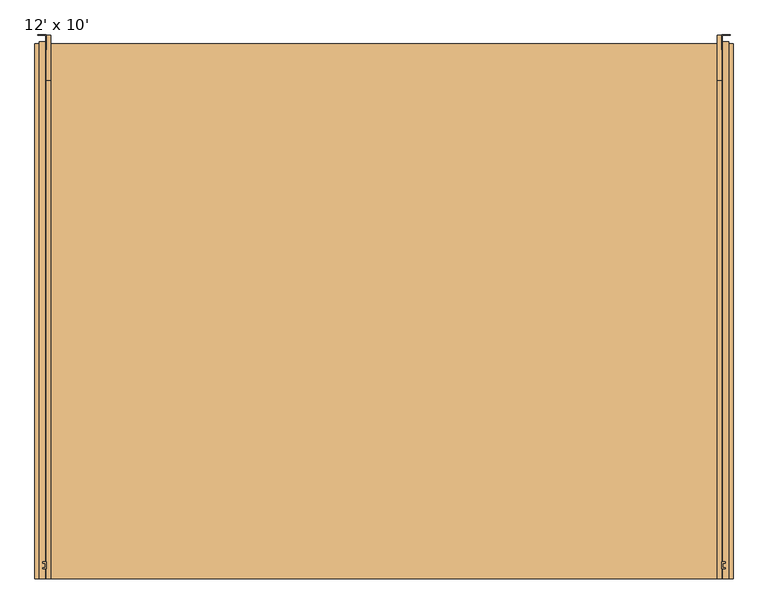
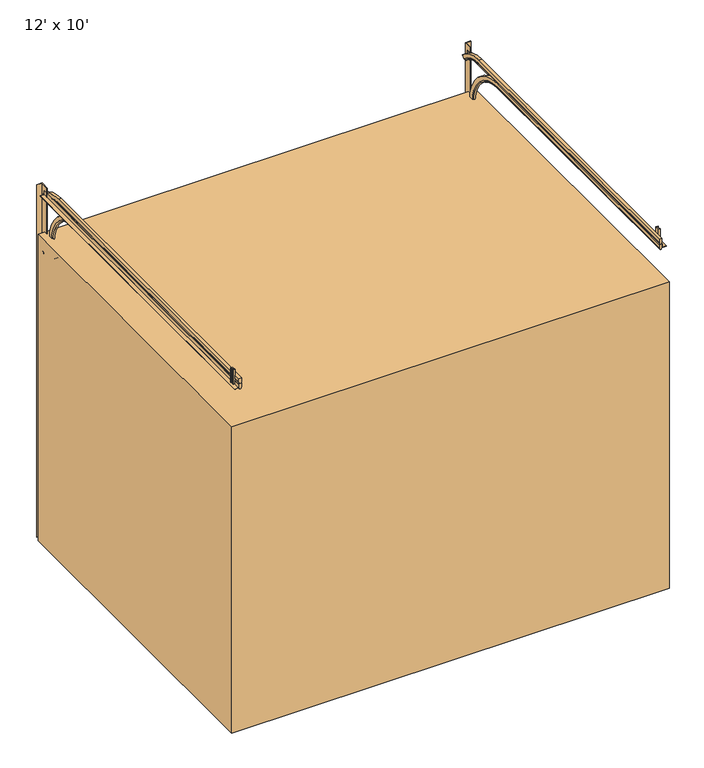
"""IFC4 building model written with IfcOpenShell, lengths in millimetres: door geometry, 12' x 10'."""

from ifc_helpers import new_model, si_unit, point, frame, origin, origin_with_axes, place, context, project, spatial, polyline, circle_curve, ellipse_curve, trimmed, outline, extrude, source, transform, mapped, element, save
from ifc_brep_helpers import plane_surface, cylinder_surface, revolved_surface, advanced_brep


def door_12_x_10_98741699(model_context):
    return source(origin(), model_context, "Body", "SolidModel", [
        advanced_brep(
        [(1879.6, -3082.4778808, 3327.4), (1854.2, -3082.4778808, 3327.4), (1854.2, -3082.4778808, 3292.4709253), (1858.9747147, -3082.4778808, 3281.7467404), (1874.8252853, -3082.4778808, 3281.7467404), (1879.6, -3082.4778808, 3292.4709253), (1879.6, -290.774921, 3292.4709253), (1879.6, -61.5450805, 3199.7634159), (1879.6, -37.2638556, 3224.8724258), (1879.6, -290.774921, 3327.4), (1874.8252853, -290.774921, 3281.7467404), (1858.9747147, -290.774921, 3281.7467404), (1854.2, -290.774921, 3292.4709253), (1854.2, -290.774921, 3327.4), (1854.2, -37.2638556, 3224.8724258), (1854.2, -61.5450805, 3199.7634159), (1874.8252853, -69.0000831, 3192.0542605), (1858.9747147, -69.0000831, 3192.0542605)],
        [
            (0, 1),
            (1, 2),
            (2, 3),
            (3, 4, circle_curve(frame((1866.9, -3082.4778808, 3285.2753048), z_axis=(0.0, -1.0, 0.0), x_axis=(-1.0, 0.0, 0.0)), 8.6753048)),
            (4, 5),
            (5, 0),
            (5, 6),
            (6, 7, circle_curve(frame((1879.6, -290.774921, 2962.7187699), z_axis=(-1.0, 0.0, 0.0), x_axis=(0.0, 0.0, 1.0)), 329.7521553)),
            (7, 8),
            (8, 9, circle_curve(frame((1879.6, -290.774921, 2962.7187699), z_axis=(1.0, 0.0, 0.0), x_axis=(0.0, 0.0, 1.0)), 364.6812301)),
            (9, 0),
            (4, 10),
            (10, 6),
            (3, 11),
            (11, 10, circle_curve(frame((1866.9, -290.774921, 3285.2753048), z_axis=(0.0, -1.0, 0.0), x_axis=(-1.0, 0.0, 0.0)), 8.6753048)),
            (2, 12),
            (12, 11),
            (1, 13),
            (13, 14, circle_curve(frame((1854.2, -290.774921, 2962.7187699), z_axis=(-1.0, 0.0, 0.0), x_axis=(0.0, 0.0, 1.0)), 364.6812301)),
            (14, 15),
            (15, 12, circle_curve(frame((1854.2, -290.774921, 2962.7187699), z_axis=(1.0, 0.0, 0.0), x_axis=(0.0, 0.0, 1.0)), 329.7521553)),
            (9, 13),
            (7, 16),
            (16, 17, circle_curve(frame((1866.9, -66.5471734, 3194.5907937), z_axis=(0.0, 0.7188570024418812, -0.6951579748807268), x_axis=(-1.0, 0.0, 0.0)), 8.6753048)),
            (17, 15),
            (14, 8),
            (10, 16, circle_curve(frame((1874.8252853, -290.774921, 2962.7187699), z_axis=(-1.0, 0.0, 0.0), x_axis=(0.0, 0.0, 1.0)), 319.0279705)),
            (11, 17, circle_curve(frame((1858.9747147, -290.774921, 2962.7187699), z_axis=(-1.0, 0.0, 0.0), x_axis=(0.0, 0.0, 1.0)), 319.0279705)),
        ],
        [
            plane_surface(frame((1879.6, -3082.4778808, 3276.6), z_axis=(0.0, -1.0, 0.0), x_axis=(-1.0, 0.0, 0.0))),
            plane_surface(frame((1879.6, -3082.4778808, 3327.4), z_axis=(1.0, 0.0, 0.0), x_axis=(0.0, 1.0, 0.0))),
            plane_surface(frame((1879.6, -3082.4778808, 3292.4709253), z_axis=(0.9135454576425592, 0.0, -0.4067366430758938), x_axis=(0.0, 1.0, 0.0))),
            cylinder_surface(frame((1866.9, -3082.4778808, 3285.2753048), z_axis=(0.0, -1.0, 0.0), x_axis=(-1.0, 0.0, 0.0)), 8.6753048),
            plane_surface(frame((1858.9747147, -3082.4778808, 3281.7467404), z_axis=(-0.9135454576425963, 0.0, -0.4067366430758104), x_axis=(0.0, 1.0, 0.0))),
            plane_surface(frame((1854.2, -3082.4778808, 3300.4125), z_axis=(-1.0, 0.0, 0.0), x_axis=(0.0, 1.0, 0.0))),
            plane_surface(frame((1854.2, -3082.4778808, 3327.4), z_axis=(0.0, 0.0, 1.0), x_axis=(0.0, 1.0, 0.0))),
            plane_surface(frame((1879.6, -72.5778808, 3188.3544901), z_axis=(0.0, 0.7188570024418812, -0.6951579748807268), x_axis=(-1.0, 0.0, 0.0))),
            revolved_surface(polyline([(1879.6, -290.774921, 3292.4709253), (1874.8252853, -290.774921, 3281.7467404)]), (1879.6, -290.774921, 2962.7187699), (1.0, 0.0, 0.0)),
            revolved_surface(trimmed(ellipse_curve(frame((1866.9, -290.774921, 3285.2753048), z_axis=(0.0, 1.0, 0.0), x_axis=(-1.0, 0.0, 0.0)), 8.6753048, 8.6753048), [point((1874.8252853, -290.774921, 3281.7467404))], [point((1858.9747147, -290.774921, 3281.7467404))], True, "CARTESIAN"), (1879.6, -290.774921, 2962.7187699), (1.0, 0.0, 0.0)),
            revolved_surface(polyline([(1858.9747147, -290.774921, 3281.7467404), (1854.2, -290.774921, 3292.4709253)]), (1879.6, -290.774921, 2962.7187699), (1.0, 0.0, 0.0)),
            cylinder_surface(frame((1879.6, -290.774921, 2962.7187699), z_axis=(1.0, 0.0, 0.0), x_axis=(0.0, 0.0, 1.0)), 364.6812301),
        ],
        [
            (0, [[1, 2, 3, 4, 5, 6]]),
            (1, [[7, 8, 9, 10, 11, -6]]),
            (2, [[12, 13, -7, -5]]),
            (3, [[14, 15, -12, -4]]),
            (4, [[16, 17, -14, -3]]),
            (5, [[-2, 18, 19, 20, 21, -16]]),
            (6, [[-11, 22, -18, -1]]),
            (7, [[-9, 23, 24, 25, -20, 26]]),
            (8, [[-23, -8, -13, 27]]),
            (9, [[-24, -27, -15, 28]]),
            (10, [[-25, -28, -17, -21]]),
            (11, [[-26, -19, -22, -10]]),
        ],
    ),
        advanced_brep(
        [(1879.6, -3082.4778808, 3276.6), (1854.2, -3082.4778808, 3276.6), (1854.2, -3082.4778808, 3241.6709253), (1858.9747147, -3082.4778808, 3230.9467404), (1874.8252853, -3082.4778808, 3230.9467404), (1879.6, -3082.4778808, 3241.6709253), (1879.6, -576.4272207, 3276.6), (1854.2, -576.4272207, 3276.6), (1854.2, -144.7208969, 2853.7938817), (1854.2, -85.2893526, 1.079758), (1854.2, -120.2108497, 0.3522268), (1854.2, -179.6423939, 2853.0663506), (1854.2, -576.4272207, 3241.6709253), (1858.9747147, -576.4272207, 3230.9467404), (1874.8252853, -576.4272207, 3230.9467404), (1879.6, -576.4272207, 3241.6709253), (1879.6, -179.6423939, 2853.0663506), (1879.6, -120.2108497, 0.3522268), (1879.6, -85.2893526, 1.079758), (1879.6, -144.7208969, 2853.7938817), (1874.8252853, -130.932708, 0.1288547), (1858.9747147, -130.932708, 0.1288547), (1858.9747147, -190.3642522, 2852.8429785), (1874.8252853, -190.3642522, 2852.8429785)],
        [
            (0, 1),
            (1, 2),
            (2, 3),
            (3, 4, circle_curve(frame((1866.9, -3082.4778808, 3234.4753048), z_axis=(0.0, -1.0, 0.0), x_axis=(-1.0, 0.0, 0.0)), 8.6753048)),
            (4, 5),
            (5, 0),
            (0, 6),
            (6, 7),
            (7, 1),
            (7, 8, circle_curve(frame((1854.2, -576.4272207, 2844.8), z_axis=(-1.0, 0.0, 0.0), x_axis=(0.0, 0.9997830567281112, 0.02082881368187952)), 431.8)),
            (8, 9),
            (9, 10),
            (10, 11),
            (11, 12, circle_curve(frame((1854.2, -576.4272207, 2844.8), z_axis=(1.0, 0.0, 0.0), x_axis=(0.0, 0.9997830567281112, 0.02082881368187952)), 396.8709253)),
            (12, 2),
            (12, 13),
            (13, 3),
            (13, 14, circle_curve(frame((1866.9, -576.4272207, 3234.4753048), z_axis=(0.0, -1.0, 0.0), x_axis=(-1.0, 0.0, 0.0)), 8.6753048)),
            (14, 4),
            (14, 15),
            (15, 5),
            (15, 16, circle_curve(frame((1879.6, -576.4272207, 2844.8), z_axis=(-1.0, 0.0, 0.0), x_axis=(0.0, 0.9997830567281112, 0.02082881368187952)), 396.8709253)),
            (16, 17),
            (17, 18),
            (18, 19),
            (19, 6, circle_curve(frame((1879.6, -576.4272207, 2844.8), z_axis=(1.0, 0.0, 0.0), x_axis=(0.0, 0.9997830567281112, 0.02082881368187952)), 431.8)),
            (17, 20),
            (20, 21, circle_curve(frame((1866.9, -127.4049091, 0.2023506), z_axis=(0.0, 0.020828813681835652, -0.9997830567281122), x_axis=(-1.0, 0.0, 0.0)), 8.6753048)),
            (21, 10),
            (9, 18),
            (8, 19),
            (21, 22),
            (22, 11),
            (20, 23),
            (23, 22, circle_curve(frame((1866.9, -186.8364534, 2852.9164743), z_axis=(0.0, 0.020828813681835652, -0.9997830567281122), x_axis=(-1.0, 0.0, 0.0)), 8.6753048)),
            (16, 23),
            (22, 13, circle_curve(frame((1858.9747147, -576.4272207, 2844.8), z_axis=(1.0, 0.0, 0.0), x_axis=(0.0, 0.9997830567281112, 0.02082881368187952)), 386.1467404)),
            (23, 14, circle_curve(frame((1874.8252853, -576.4272207, 2844.8), z_axis=(1.0, 0.0, 0.0), x_axis=(0.0, 0.9997830567281112, 0.02082881368187952)), 386.1467404)),
        ],
        [
            plane_surface(frame((1879.6, -3082.4778808, 3225.8), z_axis=(0.0, -1.0, 0.0), x_axis=(-1.0, 0.0, 0.0))),
            plane_surface(frame((1879.6, -576.4272207, 3276.6), z_axis=(0.0, 0.0, 1.0), x_axis=(0.0, -1.0, 0.0))),
            plane_surface(frame((1854.2, -576.4272207, 3249.6125), z_axis=(-1.0, 0.0, 0.0), x_axis=(0.0, -1.0, 0.0))),
            plane_surface(frame((1854.2, -576.4272207, 3241.6709253), z_axis=(-0.9135454576425963, 0.0, -0.4067366430758104), x_axis=(0.0, -1.0, 0.0))),
            cylinder_surface(frame((1866.9, -576.4272207, 3234.4753048), z_axis=(0.0, 1.0, 0.0), x_axis=(-1.0, 0.0, 0.0)), 8.6753048),
            plane_surface(frame((1874.8252853, -576.4272207, 3230.9467404), z_axis=(0.9135454576425592, 0.0, -0.4067366430758938), x_axis=(0.0, -1.0, 0.0))),
            plane_surface(frame((1879.6, -576.4272207, 3241.6709253), z_axis=(1.0, 0.0, 0.0), x_axis=(0.0, -1.0, 0.0))),
            plane_surface(frame((1879.6, -136.0783319, 0.0216543), z_axis=(0.0, 0.02082881368183565, -0.9997830567281122), x_axis=(-1.0, 0.0, 0.0))),
            plane_surface(frame((1879.6, -85.2893526, 1.079758), z_axis=(0.0, 0.9997830567281122, 0.020828813681835655), x_axis=(0.0, -0.020828813681835655, 0.9997830567281122))),
            plane_surface(frame((1854.2, -120.2108497, 0.3522268), z_axis=(-0.9135454576425959, -0.4066484042976663, -0.008471841756201345), x_axis=(0.0, -0.02082881368183566, 0.9997830567281122))),
            cylinder_surface(frame((1866.9, -127.4049091, 0.2023506), z_axis=(0.0, 0.020828813681835652, -0.9997830567281122), x_axis=(-1.0, 0.0, 0.0)), 8.6753048),
            plane_surface(frame((1874.8252853, -130.932708, 0.1288547), z_axis=(0.9135454576425601, -0.4066484042977467, -0.008471841756203082), x_axis=(0.0, -0.020828813681835655, 0.9997830567281122))),
            cylinder_surface(frame((1879.6, -576.4272207, 2844.8), z_axis=(-1.0, 0.0, 0.0), x_axis=(0.0, 0.9997830567281112, 0.02082881368187952)), 431.8),
            revolved_surface(polyline([(1854.2, -179.6423939, 2853.0663506), (1858.9747147, -190.3642522, 2852.8429785)]), (1879.6, -576.4272207, 2844.8), (-1.0, 0.0, 0.0)),
            revolved_surface(trimmed(ellipse_curve(frame((1866.9, -186.8364534, 2852.9164743), z_axis=(0.0, -0.020828813681879516, 0.9997830567281112), x_axis=(-1.0, 0.0, 0.0)), 8.6753048, 8.6753048), [point((1858.9747147, -190.3642522, 2852.8429785))], [point((1874.8252853, -190.3642522, 2852.8429785))], True, "CARTESIAN"), (1879.6, -576.4272207, 2844.8), (-1.0, 0.0, 0.0)),
            revolved_surface(polyline([(1874.8252853, -190.3642522, 2852.8429785), (1879.6, -179.6423939, 2853.0663506)]), (1879.6, -576.4272207, 2844.8), (-1.0, 0.0, 0.0)),
        ],
        [
            (0, [[1, 2, 3, 4, 5, 6]]),
            (1, [[7, 8, 9, -1]]),
            (2, [[-9, 10, 11, 12, 13, 14, 15, -2]]),
            (3, [[-15, 16, 17, -3]]),
            (4, [[-17, 18, 19, -4]]),
            (5, [[-19, 20, 21, -5]]),
            (6, [[-21, 22, 23, 24, 25, 26, -7, -6]]),
            (7, [[-24, 27, 28, 29, -12, 30]]),
            (8, [[-11, 31, -25, -30]]),
            (9, [[32, 33, -13, -29]]),
            (10, [[34, 35, -32, -28]]),
            (11, [[-23, 36, -34, -27]]),
            (12, [[-10, -8, -26, -31]]),
            (13, [[-33, 37, -16, -14]]),
            (14, [[38, -18, -37, -35]]),
            (15, [[-22, -20, -38, -36]]),
        ],
    ),
        extrude(outline(polyline([(3276.6, 1879.6), (3238.5, 1879.6), (3238.5, 1917.7), (3241.675, 1917.7), (3241.675, 1882.775), (3276.6, 1882.775), (3276.6, 1879.6)])), frame((0.0, -3082.4778808, 0.0), z_axis=(0.0, 1.0, 0.0), x_axis=(0.0, 0.0, 1.0)), (0.0, 0.0, 1.0), 3009.9),
        extrude(outline(polyline([(1879.6, -117.0278808), (1879.6, -34.4778808), (1927.225, -34.4778808), (1927.225, -37.6528808), (1882.775, -37.6528808), (1882.775, -117.0278808), (1879.6, -117.0278808)])), origin_with_axes(), (0.0, 0.0, 1.0), 3327.4),
        extrude(outline(polyline([(1885.95, -2993.5778808), (1885.95, -3018.9778808), (1898.65, -3018.9778808), (1898.65, -3025.3278808), (1879.6, -3025.3278808), (1879.6, -2987.2278808), (1898.65, -2987.2278808), (1898.65, -2993.5778808), (1885.95, -2993.5778808)])), frame((0.0, 0.0, 3225.8), z_axis=(0.0, 0.0, 1.0), x_axis=(1.0, 0.0, 0.0)), (0.0, 0.0, 1.0), 152.4),
        advanced_brep(
        [(-1905.0, -3082.4778808, 3327.4), (-1905.0, -3082.4778808, 3292.4709253), (-1900.2252853, -3082.4778808, 3281.7467404), (-1884.3747147, -3082.4778808, 3281.7467404), (-1879.6, -3082.4778808, 3292.4709253), (-1879.6, -3082.4778808, 3327.4), (-1905.0, -290.774921, 3327.4), (-1905.0, -37.2638556, 3224.8724258), (-1905.0, -61.5450805, 3199.7634159), (-1905.0, -290.774921, 3292.4709253), (-1900.2252853, -290.774921, 3281.7467404), (-1884.3747147, -290.774921, 3281.7467404), (-1879.6, -290.774921, 3292.4709253), (-1879.6, -61.5450805, 3199.7634159), (-1879.6, -37.2638556, 3224.8724258), (-1879.6, -290.774921, 3327.4), (-1884.3747147, -69.0000831, 3192.0542605), (-1900.2252853, -69.0000831, 3192.0542605)],
        [
            (0, 1),
            (1, 2),
            (2, 3, circle_curve(frame((-1892.3, -3082.4778808, 3285.2753048), z_axis=(0.0, -1.0, 0.0), x_axis=(1.0, 0.0, 0.0)), 8.6753048)),
            (3, 4),
            (4, 5),
            (5, 0),
            (0, 6),
            (6, 7, circle_curve(frame((-1905.0, -290.774921, 2962.7187699), z_axis=(-1.0, 0.0, 0.0), x_axis=(0.0, 0.0, 1.0)), 364.6812301)),
            (7, 8),
            (8, 9, circle_curve(frame((-1905.0, -290.774921, 2962.7187699), z_axis=(1.0, 0.0, 0.0), x_axis=(0.0, 0.0, 1.0)), 329.7521553)),
            (9, 1),
            (9, 10),
            (10, 2),
            (10, 11, circle_curve(frame((-1892.3, -290.774921, 3285.2753048), z_axis=(0.0, -1.0, 0.0), x_axis=(1.0, 0.0, 0.0)), 8.6753048)),
            (11, 3),
            (11, 12),
            (12, 4),
            (12, 13, circle_curve(frame((-1879.6, -290.774921, 2962.7187699), z_axis=(-1.0, 0.0, 0.0), x_axis=(0.0, 0.0, 1.0)), 329.7521553)),
            (13, 14),
            (14, 15, circle_curve(frame((-1879.6, -290.774921, 2962.7187699), z_axis=(1.0, 0.0, 0.0), x_axis=(0.0, 0.0, 1.0)), 364.6812301)),
            (15, 5),
            (15, 6),
            (7, 14),
            (13, 16),
            (16, 17, circle_curve(frame((-1892.3, -66.5471734, 3194.5907937), z_axis=(0.0, 0.7188570024418812, -0.6951579748807268), x_axis=(1.0, 0.0, 0.0)), 8.6753048)),
            (17, 8),
            (17, 10, circle_curve(frame((-1900.2252853, -290.774921, 2962.7187699), z_axis=(1.0, 0.0, 0.0), x_axis=(0.0, 0.0, 1.0)), 319.0279705)),
            (16, 11, circle_curve(frame((-1884.3747147, -290.774921, 2962.7187699), z_axis=(1.0, 0.0, 0.0), x_axis=(0.0, 0.0, 1.0)), 319.0279705)),
        ],
        [
            plane_surface(frame((-1905.0, -3082.4778808, 3276.6), z_axis=(0.0, -1.0, 0.0), x_axis=(1.0, 0.0, 0.0))),
            plane_surface(frame((-1905.0, -3082.4778808, 3327.4), z_axis=(-1.0, 0.0, 0.0), x_axis=(0.0, 1.0, 0.0))),
            plane_surface(frame((-1905.0, -3082.4778808, 3292.4709253), z_axis=(-0.9135454576425592, 0.0, -0.4067366430758938), x_axis=(0.0, 1.0, 0.0))),
            cylinder_surface(frame((-1892.3, -3082.4778808, 3285.2753048), z_axis=(0.0, -1.0, 0.0), x_axis=(1.0, 0.0, 0.0)), 8.6753048),
            plane_surface(frame((-1884.3747147, -3082.4778808, 3281.7467404), z_axis=(0.9135454576425963, 0.0, -0.4067366430758104), x_axis=(0.0, 1.0, 0.0))),
            plane_surface(frame((-1879.6, -3082.4778808, 3300.4125), z_axis=(1.0, 0.0, 0.0), x_axis=(0.0, 1.0, 0.0))),
            plane_surface(frame((-1879.6, -3082.4778808, 3327.4), z_axis=(0.0, 0.0, 1.0), x_axis=(0.0, 1.0, 0.0))),
            plane_surface(frame((-1905.0, -72.5778808, 3188.3544901), z_axis=(0.0, 0.7188570024418812, -0.6951579748807268), x_axis=(1.0, 0.0, 0.0))),
            revolved_surface(polyline([(-1905.0, -290.774921, 3292.4709253), (-1900.2252853, -290.774921, 3281.7467404)]), (-1905.0, -290.774921, 2962.7187699), (-1.0, 0.0, 0.0)),
            revolved_surface(trimmed(ellipse_curve(frame((-1892.3, -290.774921, 3285.2753048), z_axis=(0.0, -1.0, 0.0), x_axis=(1.0, 0.0, 0.0)), 8.6753048, 8.6753048), [point((-1900.2252853, -290.774921, 3281.7467404))], [point((-1884.3747147, -290.774921, 3281.7467404))], True, "CARTESIAN"), (-1905.0, -290.774921, 2962.7187699), (-1.0, 0.0, 0.0)),
            revolved_surface(polyline([(-1884.3747147, -290.774921, 3281.7467404), (-1879.6, -290.774921, 3292.4709253)]), (-1905.0, -290.774921, 2962.7187699), (-1.0, 0.0, 0.0)),
            cylinder_surface(frame((-1905.0, -290.774921, 2962.7187699), z_axis=(-1.0, 0.0, 0.0), x_axis=(0.0, 0.0, 1.0)), 364.6812301),
        ],
        [
            (0, [[1, 2, 3, 4, 5, 6]]),
            (1, [[-1, 7, 8, 9, 10, 11]]),
            (2, [[-2, -11, 12, 13]]),
            (3, [[-3, -13, 14, 15]]),
            (4, [[-4, -15, 16, 17]]),
            (5, [[-17, 18, 19, 20, 21, -5]]),
            (6, [[-6, -21, 22, -7]]),
            (7, [[23, -19, 24, 25, 26, -9]]),
            (8, [[27, -12, -10, -26]]),
            (9, [[28, -14, -27, -25]]),
            (10, [[-18, -16, -28, -24]]),
            (11, [[-8, -22, -20, -23]]),
        ],
    ),
        advanced_brep(
        [(-1905.0, -3082.4778808, 3276.6), (-1905.0, -3082.4778808, 3241.6709253), (-1900.2252853, -3082.4778808, 3230.9467404), (-1884.3747147, -3082.4778808, 3230.9467404), (-1879.6, -3082.4778808, 3241.6709253), (-1879.6, -3082.4778808, 3276.6), (-1879.6, -576.4272207, 3276.6), (-1905.0, -576.4272207, 3276.6), (-1879.6, -576.4272207, 3241.6709253), (-1879.6, -179.6423939, 2853.0663506), (-1879.6, -120.2108497, 0.3522268), (-1879.6, -85.2893526, 1.079758), (-1879.6, -144.7208969, 2853.7938817), (-1884.3747147, -576.4272207, 3230.9467404), (-1900.2252853, -576.4272207, 3230.9467404), (-1905.0, -576.4272207, 3241.6709253), (-1905.0, -144.7208969, 2853.7938817), (-1905.0, -85.2893526, 1.079758), (-1905.0, -120.2108497, 0.3522268), (-1905.0, -179.6423939, 2853.0663506), (-1884.3747147, -130.932708, 0.1288547), (-1900.2252853, -130.932708, 0.1288547), (-1884.3747147, -190.3642522, 2852.8429785), (-1900.2252853, -190.3642522, 2852.8429785)],
        [
            (0, 1),
            (1, 2),
            (2, 3, circle_curve(frame((-1892.3, -3082.4778808, 3234.4753048), z_axis=(0.0, -1.0, 0.0), x_axis=(1.0, 0.0, 0.0)), 8.6753048)),
            (3, 4),
            (4, 5),
            (5, 0),
            (5, 6),
            (6, 7),
            (7, 0),
            (4, 8),
            (8, 9, circle_curve(frame((-1879.6, -576.4272207, 2844.8), z_axis=(-1.0, 0.0, 0.0), x_axis=(0.0, 0.9997830567281112, 0.02082881368187952)), 396.8709253)),
            (9, 10),
            (10, 11),
            (11, 12),
            (12, 6, circle_curve(frame((-1879.6, -576.4272207, 2844.8), z_axis=(1.0, 0.0, 0.0), x_axis=(0.0, 0.9997830567281112, 0.02082881368187952)), 431.8)),
            (3, 13),
            (13, 8),
            (2, 14),
            (14, 13, circle_curve(frame((-1892.3, -576.4272207, 3234.4753048), z_axis=(0.0, -1.0, 0.0), x_axis=(1.0, 0.0, 0.0)), 8.6753048)),
            (1, 15),
            (15, 14),
            (7, 16, circle_curve(frame((-1905.0, -576.4272207, 2844.8), z_axis=(-1.0, 0.0, 0.0), x_axis=(0.0, 0.9997830567281112, 0.02082881368187952)), 431.8)),
            (16, 17),
            (17, 18),
            (18, 19),
            (19, 15, circle_curve(frame((-1905.0, -576.4272207, 2844.8), z_axis=(1.0, 0.0, 0.0), x_axis=(0.0, 0.9997830567281112, 0.02082881368187952)), 396.8709253)),
            (17, 11),
            (10, 20),
            (20, 21, circle_curve(frame((-1892.3, -127.4049091, 0.2023506), z_axis=(0.0, 0.020828813681835652, -0.9997830567281122), x_axis=(1.0, 0.0, 0.0)), 8.6753048)),
            (21, 18),
            (16, 12),
            (9, 22),
            (22, 20),
            (22, 23, circle_curve(frame((-1892.3, -186.8364534, 2852.9164743), z_axis=(0.0, 0.020828813681835652, -0.9997830567281122), x_axis=(1.0, 0.0, 0.0)), 8.6753048)),
            (23, 21),
            (23, 19),
            (13, 22, circle_curve(frame((-1884.3747147, -576.4272207, 2844.8), z_axis=(-1.0, 0.0, 0.0), x_axis=(0.0, 0.9997830567281112, 0.02082881368187952)), 386.1467404)),
            (14, 23, circle_curve(frame((-1900.2252853, -576.4272207, 2844.8), z_axis=(-1.0, 0.0, 0.0), x_axis=(0.0, 0.9997830567281112, 0.02082881368187952)), 386.1467404)),
        ],
        [
            plane_surface(frame((-1905.0, -3082.4778808, 3225.8), z_axis=(0.0, -1.0, 0.0), x_axis=(1.0, 0.0, 0.0))),
            plane_surface(frame((-1905.0, -576.4272207, 3276.6), z_axis=(0.0, 0.0, 1.0), x_axis=(0.0, -1.0, 0.0))),
            plane_surface(frame((-1879.6, -576.4272207, 3249.6125), z_axis=(1.0, 0.0, 0.0), x_axis=(0.0, -1.0, 0.0))),
            plane_surface(frame((-1879.6, -576.4272207, 3241.6709253), z_axis=(0.9135454576425963, 0.0, -0.4067366430758104), x_axis=(0.0, -1.0, 0.0))),
            cylinder_surface(frame((-1892.3, -576.4272207, 3234.4753048), z_axis=(0.0, 1.0, 0.0), x_axis=(1.0, 0.0, 0.0)), 8.6753048),
            plane_surface(frame((-1900.2252853, -576.4272207, 3230.9467404), z_axis=(-0.9135454576425592, 0.0, -0.4067366430758938), x_axis=(0.0, -1.0, 0.0))),
            plane_surface(frame((-1905.0, -576.4272207, 3241.6709253), z_axis=(-1.0, 0.0, 0.0), x_axis=(0.0, -1.0, 0.0))),
            plane_surface(frame((-1905.0, -136.0783319, 0.0216543), z_axis=(0.0, 0.02082881368183565, -0.9997830567281122), x_axis=(1.0, 0.0, 0.0))),
            plane_surface(frame((-1905.0, -85.2893526, 1.079758), z_axis=(0.0, 0.9997830567281122, 0.020828813681835655), x_axis=(0.0, -0.020828813681835655, 0.9997830567281122))),
            plane_surface(frame((-1879.6, -120.2108497, 0.3522268), z_axis=(0.9135454576425959, -0.4066484042976663, -0.008471841756201345), x_axis=(0.0, -0.02082881368183566, 0.9997830567281122))),
            cylinder_surface(frame((-1892.3, -127.4049091, 0.2023506), z_axis=(0.0, 0.020828813681835652, -0.9997830567281122), x_axis=(1.0, 0.0, 0.0)), 8.6753048),
            plane_surface(frame((-1900.2252853, -130.932708, 0.1288547), z_axis=(-0.9135454576425601, -0.4066484042977467, -0.008471841756203082), x_axis=(0.0, -0.020828813681835655, 0.9997830567281122))),
            cylinder_surface(frame((-1905.0, -576.4272207, 2844.8), z_axis=(1.0, 0.0, 0.0), x_axis=(0.0, 0.9997830567281112, 0.02082881368187952)), 431.8),
            revolved_surface(polyline([(-1879.6, -179.6423939, 2853.0663506), (-1884.3747147, -190.3642522, 2852.8429785)]), (-1905.0, -576.4272207, 2844.8), (1.0, 0.0, 0.0)),
            revolved_surface(trimmed(ellipse_curve(frame((-1892.3, -186.8364534, 2852.9164743), z_axis=(0.0, 0.020828813681879516, -0.9997830567281112), x_axis=(1.0, 0.0, 0.0)), 8.6753048, 8.6753048), [point((-1884.3747147, -190.3642522, 2852.8429785))], [point((-1900.2252853, -190.3642522, 2852.8429785))], True, "CARTESIAN"), (-1905.0, -576.4272207, 2844.8), (1.0, 0.0, 0.0)),
            revolved_surface(polyline([(-1900.2252853, -190.3642522, 2852.8429785), (-1905.0, -179.6423939, 2853.0663506)]), (-1905.0, -576.4272207, 2844.8), (1.0, 0.0, 0.0)),
        ],
        [
            (0, [[1, 2, 3, 4, 5, 6]]),
            (1, [[-6, 7, 8, 9]]),
            (2, [[-5, 10, 11, 12, 13, 14, 15, -7]]),
            (3, [[-4, 16, 17, -10]]),
            (4, [[-3, 18, 19, -16]]),
            (5, [[-2, 20, 21, -18]]),
            (6, [[-1, -9, 22, 23, 24, 25, 26, -20]]),
            (7, [[27, -13, 28, 29, 30, -24]]),
            (8, [[-27, -23, 31, -14]]),
            (9, [[-28, -12, 32, 33]]),
            (10, [[-29, -33, 34, 35]]),
            (11, [[-30, -35, 36, -25]]),
            (12, [[-31, -22, -8, -15]]),
            (13, [[-11, -17, 37, -32]]),
            (14, [[-34, -37, -19, 38]]),
            (15, [[-36, -38, -21, -26]]),
        ],
    ),
        extrude(outline(polyline([(3276.6, -1905.0), (3276.6, -1908.175), (3241.675, -1908.175), (3241.675, -1943.1), (3238.5, -1943.1), (3238.5, -1905.0), (3276.6, -1905.0)])), frame((0.0, -3082.4778808, 0.0), z_axis=(0.0, 1.0, 0.0), x_axis=(0.0, 0.0, 1.0)), (0.0, 0.0, 1.0), 3009.9),
        extrude(outline(polyline([(-1905.0, -117.0278808), (-1908.175, -117.0278808), (-1908.175, -37.6528808), (-1952.625, -37.6528808), (-1952.625, -34.4778808), (-1905.0, -34.4778808), (-1905.0, -117.0278808)])), origin_with_axes(), (0.0, 0.0, 1.0), 3327.4),
        extrude(outline(polyline([(-1911.35, -2993.5778808), (-1924.05, -2993.5778808), (-1924.05, -2987.2278808), (-1905.0, -2987.2278808), (-1905.0, -3025.3278808), (-1924.05, -3025.3278808), (-1924.05, -3018.9778808), (-1911.35, -3018.9778808), (-1911.35, -2993.5778808)])), frame((0.0, 0.0, 3225.8), z_axis=(0.0, 0.0, 1.0), x_axis=(1.0, 0.0, 0.0)), (0.0, 0.0, 1.0), 152.4),
        extrude(outline(polyline([(1943.1, -85.2778808), (1943.1, -3082.4778808), (-1968.5, -3082.4778808), (-1968.5, -85.2778808), (1943.1, -85.2778808)])), origin_with_axes(), (0.0, 0.0, 1.0), 2895.6),
        advanced_brep(
        [(-1968.5, -161.4778808, 2755.9), (-1968.5, -161.4778808, 2781.3), (-1968.5, -161.4778808, 2768.6), (1943.1, -161.4778808, 2768.6), (1943.1, -161.4778808, 2781.3), (1943.1, -161.4778808, 2755.9), (1905.0, -161.4778808, 2781.3), (1905.0, -161.4778808, 2755.9), (1905.0, -161.4778808, 2844.8), (1905.0, -161.4778808, 2692.4), (1841.5, -161.4778808, 2755.9), (1841.5, -161.4778808, 2781.3), (901.7, -161.4778808, 2781.3), (901.7, -161.4778808, 2755.9), (901.7, -161.4778808, 2794.0), (901.7, -161.4778808, 2743.2), (-927.1, -161.4778808, 2794.0), (-927.1, -161.4778808, 2743.2), (-927.1, -161.4778808, 2781.3), (-927.1, -161.4778808, 2755.9), (-1866.9, -161.4778808, 2781.3), (-1866.9, -161.4778808, 2755.9), (-1866.9, -161.4778808, 2844.8), (-1866.9, -161.4778808, 2692.4), (-1930.4, -161.4778808, 2844.8), (-1930.4, -161.4778808, 2692.4), (-1930.4, -161.4778808, 2781.3), (-1930.4, -161.4778808, 2755.9), (1841.5, -161.4778808, 2692.4), (1841.5, -161.4778808, 2844.8)],
        [
            (0, 1, circle_curve(frame((-1968.5, -161.4778808, 2768.6), z_axis=(-1.0, 0.0, 0.0), x_axis=(0.0, 0.0, 1.0)), 12.7)),
            (1, 2),
            (2, 0),
            (1, 0, circle_curve(frame((-1968.5, -161.4778808, 2768.6), z_axis=(-1.0, 0.0, 0.0), x_axis=(0.0, 0.0, 1.0)), 12.7)),
            (3, 4),
            (4, 5, circle_curve(frame((1943.1, -161.4778808, 2768.6), z_axis=(1.0, 0.0, 0.0), x_axis=(0.0, 0.0, 1.0)), 12.7)),
            (5, 3),
            (5, 4, circle_curve(frame((1943.1, -161.4778808, 2768.6), z_axis=(1.0, 0.0, 0.0), x_axis=(0.0, 0.0, 1.0)), 12.7)),
            (4, 6),
            (6, 7, circle_curve(frame((1905.0, -161.4778808, 2768.6), z_axis=(1.0, 0.0, 0.0), x_axis=(0.0, 0.0, 1.0)), 12.7)),
            (7, 5),
            (7, 6, circle_curve(frame((1905.0, -161.4778808, 2768.6), z_axis=(1.0, 0.0, 0.0), x_axis=(0.0, 0.0, 1.0)), 12.7)),
            (6, 8),
            (8, 9, circle_curve(frame((1905.0, -161.4778808, 2768.6), z_axis=(1.0, 0.0, 0.0), x_axis=(0.0, 0.0, 1.0)), 76.2)),
            (9, 7),
            (9, 8, circle_curve(frame((1905.0, -161.4778808, 2768.6), z_axis=(1.0, 0.0, 0.0), x_axis=(0.0, 0.0, 1.0)), 76.2)),
            (10, 11, circle_curve(frame((1841.5, -161.4778808, 2768.6), z_axis=(-1.0, 0.0, 0.0), x_axis=(0.0, 0.0, 1.0)), 12.7)),
            (11, 12),
            (12, 13, circle_curve(frame((901.7, -161.4778808, 2768.6), z_axis=(1.0, 0.0, 0.0), x_axis=(0.0, 0.0, 1.0)), 12.7)),
            (13, 10),
            (11, 10, circle_curve(frame((1841.5, -161.4778808, 2768.6), z_axis=(-1.0, 0.0, 0.0), x_axis=(0.0, 0.0, 1.0)), 12.7)),
            (13, 12, circle_curve(frame((901.7, -161.4778808, 2768.6), z_axis=(1.0, 0.0, 0.0), x_axis=(0.0, 0.0, 1.0)), 12.7)),
            (12, 14),
            (14, 15, circle_curve(frame((901.7, -161.4778808, 2768.6), z_axis=(1.0, 0.0, 0.0), x_axis=(0.0, 0.0, 1.0)), 25.4)),
            (15, 13),
            (15, 14, circle_curve(frame((901.7, -161.4778808, 2768.6), z_axis=(1.0, 0.0, 0.0), x_axis=(0.0, 0.0, 1.0)), 25.4)),
            (14, 16),
            (16, 17, circle_curve(frame((-927.1, -161.4778808, 2768.6), z_axis=(1.0, 0.0, 0.0), x_axis=(0.0, 0.0, 1.0)), 25.4)),
            (17, 15),
            (17, 16, circle_curve(frame((-927.1, -161.4778808, 2768.6), z_axis=(1.0, 0.0, 0.0), x_axis=(0.0, 0.0, 1.0)), 25.4)),
            (16, 18),
            (18, 19, circle_curve(frame((-927.1, -161.4778808, 2768.6), z_axis=(1.0, 0.0, 0.0), x_axis=(0.0, 0.0, 1.0)), 12.7)),
            (19, 17),
            (19, 18, circle_curve(frame((-927.1, -161.4778808, 2768.6), z_axis=(1.0, 0.0, 0.0), x_axis=(0.0, 0.0, 1.0)), 12.7)),
            (18, 20),
            (20, 21, circle_curve(frame((-1866.9, -161.4778808, 2768.6), z_axis=(1.0, 0.0, 0.0), x_axis=(0.0, 0.0, 1.0)), 12.7)),
            (21, 19),
            (21, 20, circle_curve(frame((-1866.9, -161.4778808, 2768.6), z_axis=(1.0, 0.0, 0.0), x_axis=(0.0, 0.0, 1.0)), 12.7)),
            (20, 22),
            (22, 23, circle_curve(frame((-1866.9, -161.4778808, 2768.6), z_axis=(1.0, 0.0, 0.0), x_axis=(0.0, 0.0, 1.0)), 76.2)),
            (23, 21),
            (23, 22, circle_curve(frame((-1866.9, -161.4778808, 2768.6), z_axis=(1.0, 0.0, 0.0), x_axis=(0.0, 0.0, 1.0)), 76.2)),
            (22, 24),
            (24, 25, circle_curve(frame((-1930.4, -161.4778808, 2768.6), z_axis=(1.0, 0.0, 0.0), x_axis=(0.0, 0.0, 1.0)), 76.2)),
            (25, 23),
            (25, 24, circle_curve(frame((-1930.4, -161.4778808, 2768.6), z_axis=(1.0, 0.0, 0.0), x_axis=(0.0, 0.0, 1.0)), 76.2)),
            (24, 26),
            (26, 27, circle_curve(frame((-1930.4, -161.4778808, 2768.6), z_axis=(1.0, 0.0, 0.0), x_axis=(0.0, 0.0, 1.0)), 12.7)),
            (27, 25),
            (27, 26, circle_curve(frame((-1930.4, -161.4778808, 2768.6), z_axis=(1.0, 0.0, 0.0), x_axis=(0.0, 0.0, 1.0)), 12.7)),
            (26, 1),
            (0, 27),
            (28, 29, circle_curve(frame((1841.5, -161.4778808, 2768.6), z_axis=(-1.0, 0.0, 0.0), x_axis=(0.0, 0.0, 1.0)), 76.2)),
            (29, 11),
            (10, 28),
            (29, 28, circle_curve(frame((1841.5, -161.4778808, 2768.6), z_axis=(-1.0, 0.0, 0.0), x_axis=(0.0, 0.0, 1.0)), 76.2)),
            (8, 29),
            (28, 9),
        ],
        [
            plane_surface(frame((-1968.5, -161.4778808, 2768.6), z_axis=(-1.0, 0.0, 0.0), x_axis=(0.0, 0.0, 1.0))),
            plane_surface(frame((1943.1, -161.4778808, 2768.6), z_axis=(1.0, 0.0, 0.0), x_axis=(0.0, 0.0, 1.0))),
            cylinder_surface(frame((1943.1, -161.4778808, 2768.6), z_axis=(1.0, 0.0, 0.0), x_axis=(0.0, 0.0, 1.0)), 12.7),
            plane_surface(frame((1905.0, -161.4778808, 2768.6), z_axis=(1.0, 0.0, 0.0), x_axis=(0.0, 0.0, 1.0))),
            plane_surface(frame((901.7, -161.4778808, 2768.6), z_axis=(1.0, 0.0, 0.0), x_axis=(0.0, 0.0, 1.0))),
            cylinder_surface(frame((1943.1, -161.4778808, 2768.6), z_axis=(1.0, 0.0, 0.0), x_axis=(0.0, 0.0, 1.0)), 25.4),
            plane_surface(frame((-927.1, -161.4778808, 2768.6), z_axis=(-1.0, 0.0, 0.0), x_axis=(0.0, 0.0, 1.0))),
            plane_surface(frame((-1866.9, -161.4778808, 2768.6), z_axis=(1.0, 0.0, 0.0), x_axis=(0.0, 0.0, 1.0))),
            cylinder_surface(frame((1943.1, -161.4778808, 2768.6), z_axis=(1.0, 0.0, 0.0), x_axis=(0.0, 0.0, 1.0)), 76.2),
            plane_surface(frame((-1930.4, -161.4778808, 2768.6), z_axis=(-1.0, 0.0, 0.0), x_axis=(0.0, 0.0, 1.0))),
            plane_surface(frame((1841.5, -161.4778808, 2768.6), z_axis=(-1.0, 0.0, 0.0), x_axis=(0.0, 0.0, 1.0))),
        ],
        [
            (0, [[1, 2, 3]]),
            (0, [[4, -3, -2]]),
            (1, [[5, 6, 7]]),
            (1, [[-7, 8, -5]]),
            (2, [[-6, 9, 10, 11]]),
            (2, [[-8, -11, 12, -9]]),
            (3, [[-10, 13, 14, 15]]),
            (3, [[-12, -15, 16, -13]]),
            (2, [[17, 18, 19, 20]]),
            (2, [[21, -20, 22, -18]]),
            (4, [[-19, 23, 24, 25]]),
            (4, [[-22, -25, 26, -23]]),
            (5, [[-24, 27, 28, 29]]),
            (5, [[-26, -29, 30, -27]]),
            (6, [[-28, 31, 32, 33]]),
            (6, [[-30, -33, 34, -31]]),
            (2, [[-32, 35, 36, 37]]),
            (2, [[-34, -37, 38, -35]]),
            (7, [[-36, 39, 40, 41]]),
            (7, [[-38, -41, 42, -39]]),
            (8, [[-40, 43, 44, 45]]),
            (8, [[-42, -45, 46, -43]]),
            (9, [[-44, 47, 48, 49]]),
            (9, [[-46, -49, 50, -47]]),
            (2, [[-48, 51, -1, 52]]),
            (2, [[-50, -52, -4, -51]]),
            (10, [[53, 54, -17, 55]]),
            (10, [[56, -55, -21, -54]]),
            (8, [[-14, 57, -53, 58]]),
            (8, [[-16, -58, -56, -57]]),
        ],
    ),
    ])


if __name__ == "__main__":
    model = new_model("IFC4")
    model_context = context("Model", 3, world=origin())
    ifc_project = project(units=[si_unit("LENGTHUNIT", "METRE", prefix="MILLI")], contexts=[model_context])
    site = spatial("IfcSite", under=ifc_project)
    building = spatial("IfcBuilding", under=site)
    placement = place(None, origin())
    door_12_x_10_shape = door_12_x_10_98741699(model_context)
    element("IfcDoor", 1, ObjectType="12' x 10'", at=placement, inside=building, context=model_context, shape_type="MappedRepresentation", body=[
        mapped(door_12_x_10_shape, transform((0.0, 0.0, 0.0), x_axis=(1.0, 0.0, 0.0), y_axis=(0.0, 1.0, 0.0), z_axis=(0.0, 0.0, 1.0))),
    ])
    save(model, "model.ifc")
